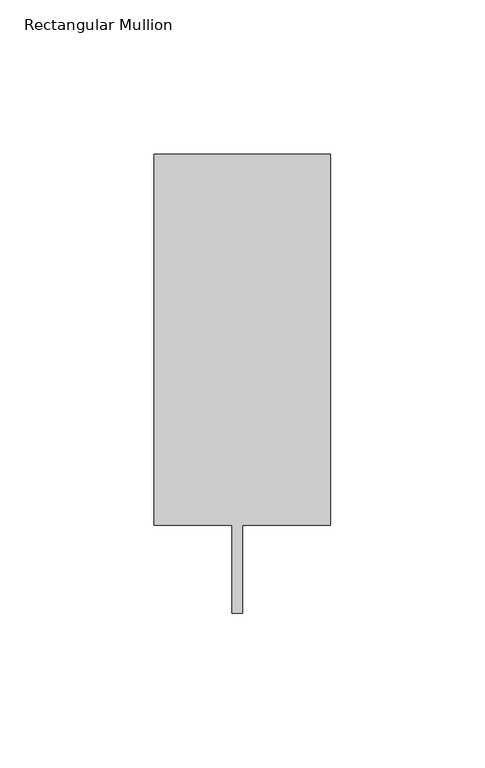
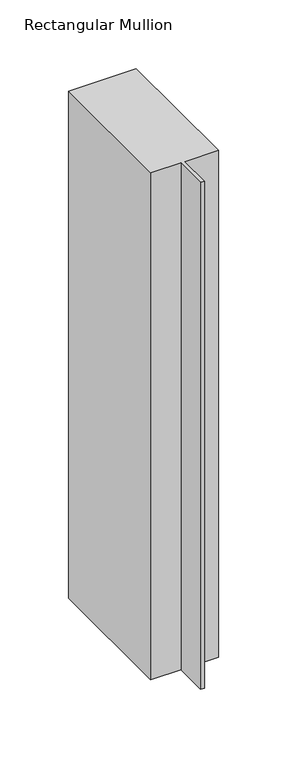
"""IFC4 building model written with IfcOpenShell, lengths in millimetres: member geometry, Rectangular Mullion."""

from ifc_helpers import new_model, si_unit, frame, origin, place, context, project, spatial, polyline, outline, extrude, source, transform, mapped, element, save


def rectangular_mullion_b7463ee1(model_context):
    return source(origin(), model_context, "Body", "SweptSolid", [
        extrude(outline(polyline([(-57.15, 151.892), (0.0, 151.892), (0.0, 31.75), (-28.575, 31.75), (-28.575, 3.1495791), (-31.877, 3.1495791), (-31.877, 31.75), (-57.15, 31.75), (-57.15, 151.892)])), frame((0.0, 0.0, -451.2103593), z_axis=(0.0, 0.0, 1.0), x_axis=(1.0, 0.0, 0.0)), (0.0, 0.0, 1.0), 451.2103593),
    ])


if __name__ == "__main__":
    model = new_model("IFC4")
    model_context = context("Model", 3, world=origin())
    ifc_project = project(units=[si_unit("LENGTHUNIT", "METRE", prefix="MILLI")], contexts=[model_context])
    site = spatial("IfcSite", under=ifc_project)
    building = spatial("IfcBuilding", under=site)
    placement = place(None, origin())
    rectangular_mullion_shape = rectangular_mullion_b7463ee1(model_context)
    element("IfcMember", 1, ObjectType="Rectangular Mullion", at=placement, inside=building, context=model_context, shape_type="MappedRepresentation", body=[
        mapped(rectangular_mullion_shape, transform((0.0, 0.0, 0.0), x_axis=(1.0, 0.0, 0.0), y_axis=(0.0, 1.0, 0.0), z_axis=(0.0, 0.0, 1.0))),
    ])
    save(model, "model.ifc")
